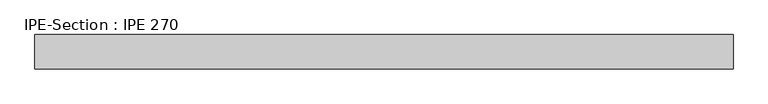
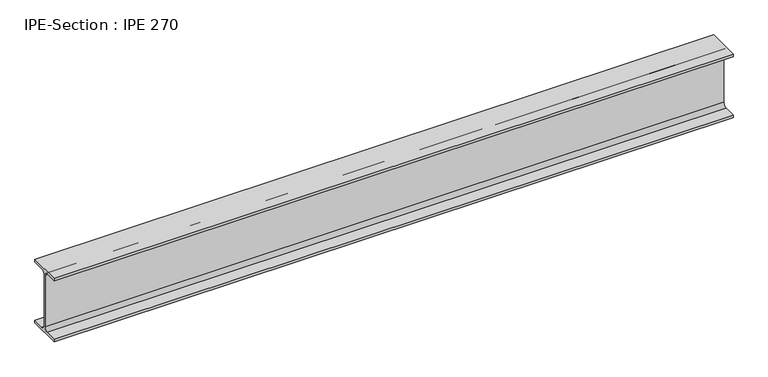
"""IFC4 building model written with IfcOpenShell, lengths in millimetres: beam geometry, IPE-Section : IPE 270."""

from ifc_helpers import new_model, si_unit, point, frame, frame_2d, origin, place, context, project, spatial, polyline, circle_curve, trimmed, segment, composite_curve, outline, extrude, source, transform, mapped, element, save


def ipe_section_ipe_270_4420617d(model_context):
    return source(origin(), model_context, "Body", "SweptSolid", [
        extrude(outline(composite_curve([segment(polyline([(-67.5, -124.8), (-18.3, -124.8)]), True, "CONTINUOUS"), segment(trimmed(circle_curve(frame_2d((-18.3, -109.8)), 15.0), [point((-18.3, -124.8))], [point((-3.3, -109.8))], True, "CARTESIAN"), True, "CONTINUOUS"), segment(polyline([(-3.3, -109.8), (-3.3, 109.8)]), True, "CONTINUOUS"), segment(trimmed(circle_curve(frame_2d((-18.3, 109.8)), 15.0), [point((-3.3, 109.8))], [point((-18.3, 124.8))], True, "CARTESIAN"), True, "CONTINUOUS"), segment(polyline([(-18.3, 124.8), (-67.5, 124.8), (-67.5, 135.0), (67.5, 135.0), (67.5, 124.8), (18.3, 124.8)]), True, "CONTINUOUS"), segment(trimmed(circle_curve(frame_2d((18.3, 109.8)), 15.0), [point((18.3, 124.8))], [point((3.3, 109.8))], True, "CARTESIAN"), True, "CONTINUOUS"), segment(polyline([(3.3, 109.8), (3.3, -109.8)]), True, "CONTINUOUS"), segment(trimmed(circle_curve(frame_2d((18.3, -109.8)), 15.0), [point((3.3, -109.8))], [point((18.3, -124.8))], True, "CARTESIAN"), True, "CONTINUOUS"), segment(polyline([(18.3, -124.8), (67.5, -124.8), (67.5, -135.0), (-67.5, -135.0), (-67.5, -124.8)]), True, "CONTINUOUS")], self_intersect=False)), frame((-1367.3, 0.0, 0.0), z_axis=(1.0, 0.0, 0.0), x_axis=(0.0, 1.0, 0.0)), (0.0, 0.0, 1.0), 2734.6),
    ])


if __name__ == "__main__":
    model = new_model("IFC4")
    model_context = context("Model", 3, world=origin())
    ifc_project = project(units=[si_unit("LENGTHUNIT", "METRE", prefix="MILLI")], contexts=[model_context])
    site = spatial("IfcSite", under=ifc_project)
    building = spatial("IfcBuilding", under=site)
    placement = place(None, origin())
    ipe_section_ipe_270_shape = ipe_section_ipe_270_4420617d(model_context)
    element("IfcBeam", 1, ObjectType="IPE-Section : IPE 270", at=placement, inside=building, context=model_context, shape_type="MappedRepresentation", body=[
        mapped(ipe_section_ipe_270_shape, transform((0.0, 0.0, 0.0), x_axis=(1.0, 0.0, 0.0), y_axis=(0.0, 1.0, 0.0), z_axis=(0.0, 0.0, 1.0))),
    ])
    save(model, "model.ifc")
